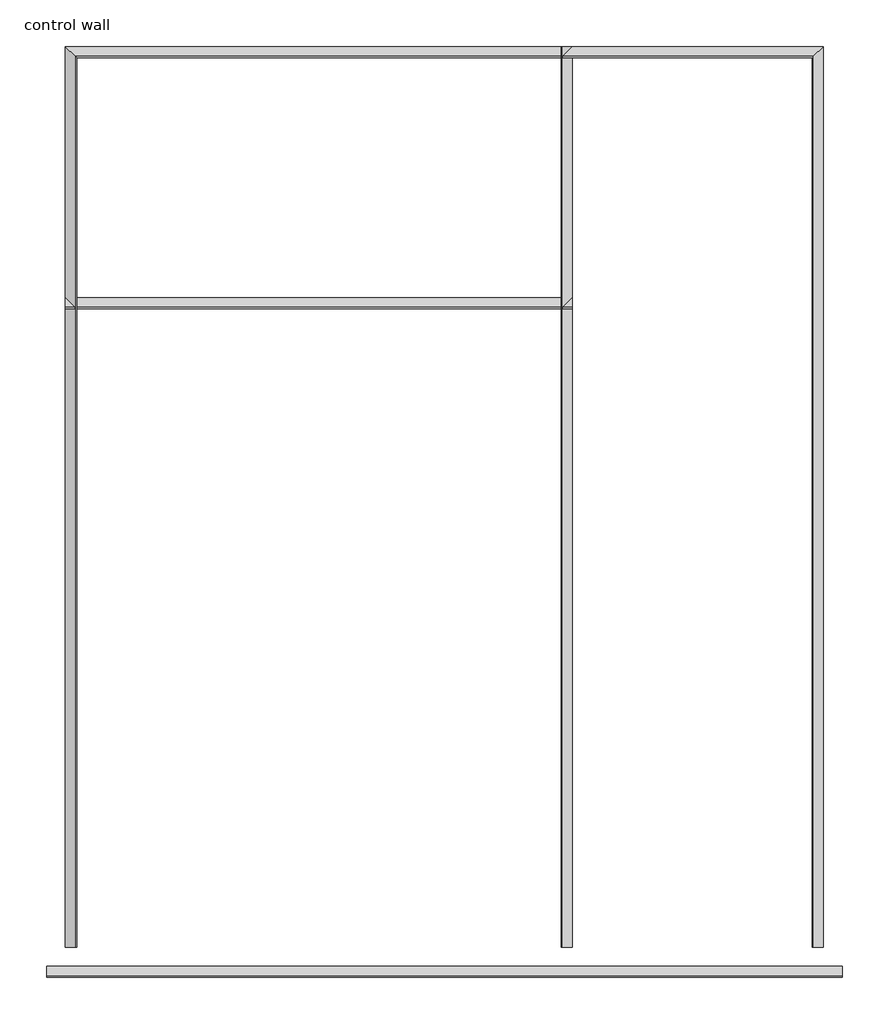
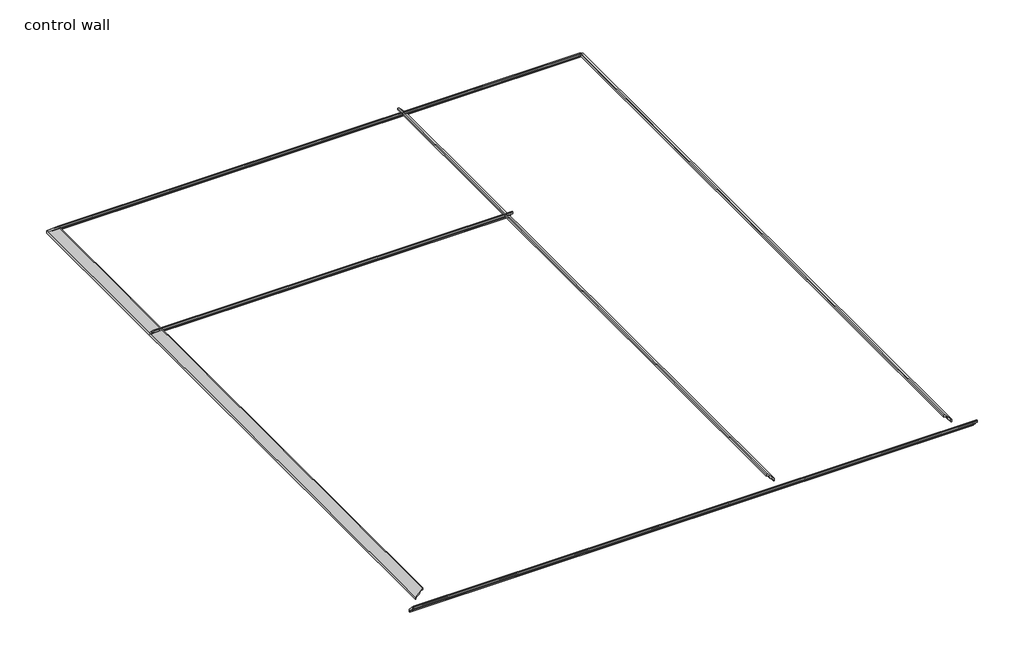
# One storey: 6 proxies.
"""IFC4 building model written with IfcOpenShell, lengths in millimetres."""

from ifc_helpers import new_model, si_unit, point, frame, frame_2d, origin, place, context, project, spatial, polyline, circle_curve, ellipse_curve, trimmed, segment, composite_curve, outline, extrude, element, save
from ifc_brep_helpers import plane_surface, cylinder_surface, revolved_surface, advanced_brep

model = new_model("IFC4")

# Units and contexts
model_context = context("Model", 3, world=origin())
ifc_project = project(units=[si_unit("LENGTHUNIT", "METRE", prefix="MILLI")], contexts=[model_context])

# Site, building, storey
site = spatial("IfcSite", under=ifc_project)
building = spatial("IfcBuilding", under=site)
storey = spatial("IfcBuildingStorey", under=building, Name="control wall", Elevation=2133.6)

# Proxies
placement = place(None, origin())
element("IfcBuildingElementProxy", 1, Name="Wall Sweeps", at=placement, inside=storey, context=model_context, shape_type="AdvancedBrep", body=[
    advanced_brep(
    [(24097.9557733, -17511.0748005, 2982.9793892), (24032.9351625, -17511.0748005, 3048.0), (24024.8324645, -17511.0748005, 3048.0), (24024.8324645, -17511.0748005, 3028.95), (24034.4557733, -17511.0748005, 3028.95), (24054.9804532, -17511.0748005, 3008.4253202), (24075.505133, -17511.0748005, 2987.9006403), (24075.505133, -17511.0748005, 2981.5506403), (24088.9755172, -17511.0748005, 2968.0802561), (24088.9755172, -17511.0748005, 2959.1), (24097.9557733, -17511.0748005, 2959.1), (24097.9557733, -11596.0498005, 2982.9793892), (24097.9557733, -11596.0498005, 2959.1), (24088.9755172, -11605.0300566, 2959.1), (24088.9755172, -11605.0300566, 2968.0802561), (24075.505133, -11618.5004408, 2981.5506403), (24075.505133, -11618.5004408, 2987.9006403), (24054.9804532, -11639.0251207, 3008.4253202), (24034.4557733, -11659.5498005, 3028.95), (24024.8324645, -11669.1731093, 3028.95), (24024.8324645, -11669.1731093, 3048.0), (24032.9351625, -11661.0704113, 3048.0)],
    [
        (0, 1),
        (1, 2),
        (2, 3),
        (3, 4),
        (4, 5, circle_curve(frame((24034.4557733, -17511.0748005, 3008.4253202), z_axis=(0.0, 1.0, 0.0), x_axis=(-1.0, 0.0, 0.0)), 20.5246798)),
        (5, 6, circle_curve(frame((24075.505133, -17511.0748005, 3008.4253202), z_axis=(0.0, -1.0, 0.0), x_axis=(-1.0, 0.0, 0.0)), 20.5246798)),
        (6, 7),
        (7, 8, circle_curve(frame((24075.505133, -17511.0748005, 2968.0802561), z_axis=(0.0, 1.0, 0.0), x_axis=(-1.0, 0.0, 0.0)), 13.4703842)),
        (8, 9),
        (9, 10),
        (10, 0),
        (11, 12),
        (12, 13),
        (13, 14),
        (14, 15, ellipse_curve(frame((24075.505133, -11618.5004408, 2968.0802561), z_axis=(0.707106781186544, -0.7071067811865511, 0.0), x_axis=(0.7071067811865511, 0.7071067811865439, 0.0)), 19.05, 13.4703842)),
        (15, 16),
        (16, 17, ellipse_curve(frame((24075.505133, -11618.5004408, 3008.4253202), z_axis=(-0.707106781186544, 0.7071067811865511, 0.0), x_axis=(-0.7071067811865511, -0.7071067811865439, 0.0)), 29.0262806, 20.5246798)),
        (17, 18, ellipse_curve(frame((24034.4557733, -11659.5498005, 3008.4253202), z_axis=(0.707106781186544, -0.7071067811865511, 0.0), x_axis=(0.7071067811865511, 0.7071067811865439, 0.0)), 29.0262806, 20.5246798)),
        (18, 19),
        (19, 20),
        (20, 21),
        (21, 11),
        (0, 11),
        (21, 1),
        (20, 2),
        (19, 3),
        (18, 4),
        (17, 5),
        (16, 6),
        (15, 7),
        (14, 8),
        (13, 9),
        (12, 10),
    ],
    [
        plane_surface(frame((23982.8461374, -17511.0748005, 2959.1), z_axis=(0.0, -1.0, 0.0), x_axis=(0.0, 0.0, 1.0))),
        plane_surface(frame((24097.9557733, -11596.0498005, 2654.3), z_axis=(-0.707106781186544, 0.7071067811865511, 0.0), x_axis=(-0.7071067811865511, -0.707106781186544, 0.0))),
        plane_surface(frame((24097.9557733, -17511.0748005, 2982.9793892), z_axis=(0.707106781186547, 0.0, 0.707106781186548), x_axis=(0.0, 1.0, 0.0))),
        plane_surface(frame((24032.9351625, -17511.0748005, 3048.0), z_axis=(0.0, 0.0, 1.0), x_axis=(0.0, 1.0, 0.0))),
        plane_surface(frame((24024.8324645, -17511.0748005, 3048.0), z_axis=(-1.0, 0.0, 0.0), x_axis=(0.0, 1.0, 0.0))),
        plane_surface(frame((24024.8324645, -17511.0748005, 3028.95), z_axis=(0.0, 0.0, -1.0), x_axis=(0.0, 1.0, 0.0))),
        revolved_surface(polyline([(24013.9310935, -11639.025120655118, 3008.4253202), (24013.9310935, -17511.0748005, 3008.4253202)]), (24034.4557733, -17511.0748005, 3008.4253202), (0.0, 1.0, 0.0)),
        cylinder_surface(frame((24075.505133, -17511.0748005, 3008.4253202), z_axis=(0.0, -1.0, 0.0), x_axis=(-1.0, 0.0, 0.0)), 20.5246798),
        plane_surface(frame((24075.505133, -17511.0748005, 2987.9006403), z_axis=(-1.0, 0.0, 0.0), x_axis=(0.0, 1.0, 0.0))),
        revolved_surface(polyline([(24062.034748799997, -11605.0300566, 2968.0802561), (24062.034748799997, -17511.0748005, 2968.0802561)]), (24075.505133, -17511.0748005, 2968.0802561), (0.0, 1.0, 0.0)),
        plane_surface(frame((24088.9755172, -17511.0748005, 2968.0802561), z_axis=(-1.0, 0.0, 0.0), x_axis=(0.0, 1.0, 0.0))),
        plane_surface(frame((24088.9755172, -17511.0748005, 2959.1), z_axis=(0.0, 0.0, -1.0), x_axis=(0.0, 1.0, 0.0))),
        plane_surface(frame((24097.9557733, -17511.0748005, 2959.1), z_axis=(1.0, 0.0, 0.0), x_axis=(0.0, 1.0, 0.0))),
    ],
    [
        (0, [[1, 2, 3, 4, 5, 6, 7, 8, 9, 10, 11]]),
        (1, [[12, 13, 14, 15, 16, 17, 18, 19, 20, 21, 22]]),
        (2, [[-1, 23, -22, 24]]),
        (3, [[-2, -24, -21, 25]]),
        (4, [[-3, -25, -20, 26]]),
        (5, [[-4, -26, -19, 27]]),
        (6, [[-5, -27, -18, 28]]),
        (7, [[-6, -28, -17, 29]]),
        (8, [[-7, -29, -16, 30]]),
        (9, [[-8, -30, -15, 31]]),
        (10, [[-9, -31, -14, 32]]),
        (11, [[-10, -32, -13, 33]]),
        (12, [[-11, -33, -12, -23]]),
    ],
),
])
element("IfcBuildingElementProxy", 2, Name="Wall Sweeps", at=placement, inside=storey, context=model_context, shape_type="AdvancedBrep", body=[
    advanced_brep(
    [(24097.9557733, -11596.0498005, 2982.9793892), (24032.9351625, -11661.0704113, 3048.0), (24024.8324645, -11669.1731093, 3048.0), (24024.8324645, -11669.1731093, 3028.95), (24034.4557733, -11659.5498005, 3028.95), (24054.9804532, -11639.0251207, 3008.4253202), (24075.505133, -11618.5004408, 2987.9006403), (24075.505133, -11618.5004408, 2981.5506403), (24088.9755172, -11605.0300566, 2968.0802561), (24088.9755172, -11605.0300566, 2959.1), (24097.9557733, -11596.0498005, 2959.1), (19122.3680587, -11596.0498005, 2982.9793892), (19122.3680587, -11596.0498005, 2959.1), (19131.3483148, -11605.0300566, 2959.1), (19131.3483148, -11605.0300566, 2968.0802561), (19144.818699, -11618.5004408, 2981.5506403), (19144.818699, -11618.5004408, 2987.9006403), (19165.3433788, -11639.0251207, 3008.4253202), (19185.8680587, -11659.5498005, 3028.95), (19195.4913675, -11669.1731093, 3028.95), (19195.4913675, -11669.1731093, 3048.0), (19187.3886695, -11661.0704113, 3048.0)],
    [
        (0, 1),
        (1, 2),
        (2, 3),
        (3, 4),
        (4, 5, ellipse_curve(frame((24034.4557733, -11659.5498005, 3008.4253202), z_axis=(-0.707106781186544, 0.7071067811865511, 0.0), x_axis=(-0.7071067811865509, -0.707106781186544, 0.0)), 29.0262806, 20.5246798)),
        (5, 6, ellipse_curve(frame((24075.505133, -11618.5004408, 3008.4253202), z_axis=(0.707106781186544, -0.7071067811865511, 0.0), x_axis=(0.7071067811865509, 0.707106781186544, 0.0)), 29.0262806, 20.5246798)),
        (6, 7),
        (7, 8, ellipse_curve(frame((24075.505133, -11618.5004408, 2968.0802561), z_axis=(-0.707106781186544, 0.7071067811865511, 0.0), x_axis=(-0.7071067811865509, -0.707106781186544, 0.0)), 19.05, 13.4703842)),
        (8, 9),
        (9, 10),
        (10, 0),
        (11, 12),
        (12, 13),
        (13, 14),
        (14, 15, ellipse_curve(frame((19144.818699, -11618.5004408, 2968.0802561), z_axis=(0.7071067811865476, 0.7071067811865476, 0.0), x_axis=(-0.7071067811865475, 0.7071067811865476, 0.0)), 19.05, 13.4703842)),
        (15, 16),
        (16, 17, ellipse_curve(frame((19144.818699, -11618.5004408, 3008.4253202), z_axis=(-0.7071067811865476, -0.7071067811865476, 0.0), x_axis=(0.7071067811865475, -0.7071067811865476, 0.0)), 29.0262806, 20.5246798)),
        (17, 18, ellipse_curve(frame((19185.8680587, -11659.5498005, 3008.4253202), z_axis=(0.7071067811865476, 0.7071067811865476, 0.0), x_axis=(-0.7071067811865475, 0.7071067811865476, 0.0)), 29.0262806, 20.5246798)),
        (18, 19),
        (19, 20),
        (20, 21),
        (21, 11),
        (0, 11),
        (21, 1),
        (20, 2),
        (19, 3),
        (18, 4),
        (17, 5),
        (16, 6),
        (15, 7),
        (14, 8),
        (13, 9),
        (12, 10),
    ],
    [
        plane_surface(frame((24097.9557733, -11596.0498005, 2654.3), z_axis=(0.707106781186544, -0.7071067811865511, 0.0), x_axis=(-0.7071067811865511, -0.707106781186544, 0.0))),
        plane_surface(frame((19122.3680587, -11596.0498005, 2654.3), z_axis=(-0.7071067811865476, -0.7071067811865476, 0.0), x_axis=(0.7071067811865476, -0.7071067811865476, 0.0))),
        plane_surface(frame((24097.9557733, -11596.0498005, 2982.9793892), z_axis=(0.0, 0.707106781186547, 0.707106781186548), x_axis=(-1.0, 0.0, 0.0))),
        plane_surface(frame((24032.9351625, -11661.0704113, 3048.0), z_axis=(0.0, 0.0, 1.0), x_axis=(-1.0, 0.0, 0.0))),
        plane_surface(frame((24024.8324645, -11669.1731093, 3048.0), z_axis=(0.0, -1.0, 0.0), x_axis=(-1.0, 0.0, 0.0))),
        plane_surface(frame((24024.8324645, -11669.1731093, 3028.95), z_axis=(0.0, 0.0, -1.0), x_axis=(-1.0, 0.0, 0.0))),
        revolved_surface(polyline([(19165.3433788, -11680.074480300002, 3008.4253202), (24054.9804532, -11680.074480300002, 3008.4253202)]), (24097.9557733, -11659.5498005, 3008.4253202), (-1.0, 0.0, 0.0)),
        cylinder_surface(frame((24097.9557733, -11618.5004408, 3008.4253202), z_axis=(1.0, 0.0, 0.0), x_axis=(0.0, -1.0, 0.0)), 20.5246798),
        plane_surface(frame((24075.505133, -11618.5004408, 2987.9006403), z_axis=(0.0, -1.0, 0.0), x_axis=(-1.0, 0.0, 0.0))),
        revolved_surface(polyline([(19131.3483148, -11631.970825, 2968.0802561), (24088.9755172, -11631.970825, 2968.0802561)]), (24097.9557733, -11618.5004408, 2968.0802561), (-1.0, 0.0, 0.0)),
        plane_surface(frame((24088.9755172, -11605.0300566, 2968.0802561), z_axis=(0.0, -1.0, 0.0), x_axis=(-1.0, 0.0, 0.0))),
        plane_surface(frame((24088.9755172, -11605.0300566, 2959.1), z_axis=(0.0, 0.0, -1.0), x_axis=(-1.0, 0.0, 0.0))),
        plane_surface(frame((24097.9557733, -11596.0498005, 2959.1), z_axis=(0.0, 1.0, 0.0), x_axis=(-1.0, 0.0, 0.0))),
    ],
    [
        (0, [[1, 2, 3, 4, 5, 6, 7, 8, 9, 10, 11]]),
        (1, [[12, 13, 14, 15, 16, 17, 18, 19, 20, 21, 22]]),
        (2, [[-1, 23, -22, 24]]),
        (3, [[-2, -24, -21, 25]]),
        (4, [[-3, -25, -20, 26]]),
        (5, [[-4, -26, -19, 27]]),
        (6, [[-5, -27, -18, 28]]),
        (7, [[-6, -28, -17, 29]]),
        (8, [[-7, -29, -16, 30]]),
        (9, [[-8, -30, -15, 31]]),
        (10, [[-9, -31, -14, 32]]),
        (11, [[-10, -32, -13, 33]]),
        (12, [[-11, -33, -12, -23]]),
    ],
),
])
element("IfcBuildingElementProxy", 3, Name="Wall Sweeps", at=placement, inside=storey, context=model_context, shape_type="SweptSolid", body=[
    extrude(outline(composite_curve([segment(polyline([(2982.9793892, 22450.1307733), (3048.0, 22385.1101625), (3048.0, 22377.0074645), (3028.95, 22377.0074645), (3028.95, 22386.6307733)]), True, "CONTINUOUS"), segment(trimmed(circle_curve(frame_2d((3008.4253202, 22386.6307733)), 20.5246798), [point((3028.95, 22386.6307733))], [point((3008.4253202, 22407.1554532))], True, "CARTESIAN"), True, "CONTINUOUS"), segment(trimmed(circle_curve(frame_2d((3008.4253202, 22427.680133)), 20.5246798), [point((3008.4253202, 22407.1554532))], [point((2987.9006403, 22427.680133))], False, "CARTESIAN"), True, "CONTINUOUS"), segment(polyline([(2987.9006403, 22427.680133), (2981.5506403, 22427.680133)]), True, "CONTINUOUS"), segment(trimmed(circle_curve(frame_2d((2968.0802561, 22427.680133)), 13.4703842), [point((2981.5506403, 22427.680133))], [point((2968.0802561, 22441.1505172))], True, "CARTESIAN"), True, "CONTINUOUS"), segment(polyline([(2968.0802561, 22441.1505172), (2959.1, 22441.1505172), (2959.1, 22450.1307733), (2982.9793892, 22450.1307733)]), True, "CONTINUOUS")], self_intersect=False)), frame((0.0, -17511.0748005, 0.0), z_axis=(0.0, 1.0, 0.0), x_axis=(0.0, 0.0, 1.0)), (0.0, 0.0, 1.0), 5915.025),
])
element("IfcBuildingElementProxy", 4, Name="Wall Sweeps", at=placement, inside=storey, context=model_context, shape_type="AdvancedBrep", body=[
    advanced_brep(
    [(19122.3680587, -11596.0498005, 2982.9793892), (19187.3886695, -11661.0704113, 3048.0), (19195.4913675, -11669.1731093, 3048.0), (19195.4913675, -11669.1731093, 3028.95), (19185.8680587, -11659.5498005, 3028.95), (19165.3433788, -11639.0251207, 3008.4253202), (19144.818699, -11618.5004408, 2987.9006403), (19144.818699, -11618.5004408, 2981.5506403), (19131.3483148, -11605.0300566, 2968.0802561), (19131.3483148, -11605.0300566, 2959.1), (19122.3680587, -11596.0498005, 2959.1), (19122.3680587, -17511.0748005, 2982.9793892), (19122.3680587, -17511.0748005, 2959.1), (19131.3483148, -17511.0748005, 2959.1), (19131.3483148, -17511.0748005, 2968.0802561), (19144.818699, -17511.0748005, 2981.5506403), (19144.818699, -17511.0748005, 2987.9006403), (19165.3433788, -17511.0748005, 3008.4253202), (19185.8680587, -17511.0748005, 3028.95), (19195.4913675, -17511.0748005, 3028.95), (19195.4913675, -17511.0748005, 3048.0), (19187.3886695, -17511.0748005, 3048.0)],
    [
        (0, 1),
        (1, 2),
        (2, 3),
        (3, 4),
        (4, 5, ellipse_curve(frame((19185.8680587, -11659.5498005, 3008.4253202), z_axis=(-0.7071067811865476, -0.7071067811865476, 0.0), x_axis=(0.7071067811865476, -0.7071067811865474, 0.0)), 29.0262806, 20.5246798)),
        (5, 6, ellipse_curve(frame((19144.818699, -11618.5004408, 3008.4253202), z_axis=(0.7071067811865476, 0.7071067811865476, 0.0), x_axis=(-0.7071067811865476, 0.7071067811865474, 0.0)), 29.0262806, 20.5246798)),
        (6, 7),
        (7, 8, ellipse_curve(frame((19144.818699, -11618.5004408, 2968.0802561), z_axis=(-0.7071067811865476, -0.7071067811865476, 0.0), x_axis=(0.7071067811865476, -0.7071067811865474, 0.0)), 19.05, 13.4703842)),
        (8, 9),
        (9, 10),
        (10, 0),
        (11, 12),
        (12, 13),
        (13, 14),
        (14, 15, circle_curve(frame((19144.818699, -17511.0748005, 2968.0802561), z_axis=(0.0, 1.0, 0.0), x_axis=(1.0, 0.0, 0.0)), 13.4703842)),
        (15, 16),
        (16, 17, circle_curve(frame((19144.818699, -17511.0748005, 3008.4253202), z_axis=(0.0, -1.0, 0.0), x_axis=(1.0, 0.0, 0.0)), 20.5246798)),
        (17, 18, circle_curve(frame((19185.8680587, -17511.0748005, 3008.4253202), z_axis=(0.0, 1.0, 0.0), x_axis=(1.0, 0.0, 0.0)), 20.5246798)),
        (18, 19),
        (19, 20),
        (20, 21),
        (21, 11),
        (0, 11),
        (21, 1),
        (20, 2),
        (19, 3),
        (18, 4),
        (17, 5),
        (16, 6),
        (15, 7),
        (14, 8),
        (13, 9),
        (12, 10),
    ],
    [
        plane_surface(frame((19122.3680587, -11596.0498005, 2654.3), z_axis=(0.7071067811865476, 0.7071067811865476, 0.0), x_axis=(0.7071067811865476, -0.7071067811865476, 0.0))),
        plane_surface(frame((19007.2584227, -17511.0748005, 2959.1), z_axis=(0.0, -1.0, 0.0), x_axis=(0.0, 0.0, -1.0))),
        plane_surface(frame((19122.3680587, -11596.0498005, 2982.9793892), z_axis=(-0.707106781186547, 0.0, 0.707106781186548), x_axis=(0.0, -1.0, 0.0))),
        plane_surface(frame((19187.3886695, -11661.0704113, 3048.0), z_axis=(0.0, 0.0, 1.0), x_axis=(0.0, -1.0, 0.0))),
        plane_surface(frame((19195.4913675, -11669.1731093, 3048.0), z_axis=(1.0, 0.0, 0.0), x_axis=(0.0, -1.0, 0.0))),
        plane_surface(frame((19195.4913675, -11669.1731093, 3028.95), z_axis=(0.0, 0.0, -1.0), x_axis=(0.0, -1.0, 0.0))),
        revolved_surface(polyline([(19206.392738500002, -17511.0748005, 3008.4253202), (19206.392738500002, -11639.025120655117, 3008.4253202)]), (19185.8680587, -11596.0498005, 3008.4253202), (0.0, -1.0, 0.0)),
        cylinder_surface(frame((19144.818699, -11596.0498005, 3008.4253202), z_axis=(0.0, 1.0, 0.0), x_axis=(1.0, 0.0, 0.0)), 20.5246798),
        plane_surface(frame((19144.818699, -11618.5004408, 2987.9006403), z_axis=(1.0, 0.0, 0.0), x_axis=(0.0, -1.0, 0.0))),
        revolved_surface(polyline([(19158.2890832, -17511.0748005, 2968.0802561), (19158.2890832, -11605.0300566, 2968.0802561)]), (19144.818699, -11596.0498005, 2968.0802561), (0.0, -1.0, 0.0)),
        plane_surface(frame((19131.3483148, -11605.0300566, 2968.0802561), z_axis=(1.0, 0.0, 0.0), x_axis=(0.0, -1.0, 0.0))),
        plane_surface(frame((19131.3483148, -11605.0300566, 2959.1), z_axis=(0.0, 0.0, -1.0), x_axis=(0.0, -1.0, 0.0))),
        plane_surface(frame((19122.3680587, -11596.0498005, 2959.1), z_axis=(-1.0, 0.0, 0.0), x_axis=(0.0, -1.0, 0.0))),
    ],
    [
        (0, [[1, 2, 3, 4, 5, 6, 7, 8, 9, 10, 11]]),
        (1, [[12, 13, 14, 15, 16, 17, 18, 19, 20, 21, 22]]),
        (2, [[-1, 23, -22, 24]]),
        (3, [[-2, -24, -21, 25]]),
        (4, [[-3, -25, -20, 26]]),
        (5, [[-4, -26, -19, 27]]),
        (6, [[-5, -27, -18, 28]]),
        (7, [[-6, -28, -17, 29]]),
        (8, [[-7, -29, -16, 30]]),
        (9, [[-8, -30, -15, 31]]),
        (10, [[-9, -31, -14, 32]]),
        (11, [[-10, -32, -13, 33]]),
        (12, [[-11, -33, -12, -23]]),
    ],
),
])
element("IfcBuildingElementProxy", 5, Name="Wall Sweeps", at=placement, inside=storey, context=model_context, shape_type="SweptSolid", body=[
    extrude(outline(composite_curve([segment(polyline([(-13243.8748005, 2982.9793892), (-13243.8748005, 2959.1), (-13252.8550566, 2959.1), (-13252.8550566, 2968.0802561)]), True, "CONTINUOUS"), segment(trimmed(circle_curve(frame_2d((-13266.3254408, 2968.0802561)), 13.4703842), [point((-13252.8550566, 2968.0802561))], [point((-13266.3254408, 2981.5506403))], True, "CARTESIAN"), True, "CONTINUOUS"), segment(polyline([(-13266.3254408, 2981.5506403), (-13266.3254408, 2987.9006403)]), True, "CONTINUOUS"), segment(trimmed(circle_curve(frame_2d((-13266.3254408, 3008.4253202)), 20.5246798), [point((-13266.3254408, 2987.9006403))], [point((-13286.8501207, 3008.4253202))], False, "CARTESIAN"), True, "CONTINUOUS"), segment(trimmed(circle_curve(frame_2d((-13307.3748005, 3008.4253202)), 20.5246798), [point((-13286.8501207, 3008.4253202))], [point((-13307.3748005, 3028.95))], True, "CARTESIAN"), True, "CONTINUOUS"), segment(polyline([(-13307.3748005, 3028.95), (-13316.9981093, 3028.95), (-13316.9981093, 3048.0), (-13308.8954113, 3048.0), (-13243.8748005, 2982.9793892)]), True, "CONTINUOUS")], self_intersect=False)), frame((19122.3680587, 0.0, 0.0), z_axis=(1.0, 0.0, 0.0), x_axis=(0.0, 1.0, 0.0)), (0.0, 0.0, 1.0), 3327.7627146),
])
element("IfcBuildingElementProxy", 6, Name="Wall Sweeps", at=placement, inside=storey, context=model_context, shape_type="SweptSolid", body=[
    extrude(outline(composite_curve([segment(polyline([(-17634.8998005, 2982.9793892), (-17634.8998005, 2959.1), (-17643.8800566, 2959.1), (-17643.8800566, 2968.0802561)]), True, "CONTINUOUS"), segment(trimmed(circle_curve(frame_2d((-17657.3504408, 2968.0802561)), 13.4703842), [point((-17643.8800566, 2968.0802561))], [point((-17657.3504408, 2981.5506403))], True, "CARTESIAN"), True, "CONTINUOUS"), segment(polyline([(-17657.3504408, 2981.5506403), (-17657.3504408, 2987.9006403)]), True, "CONTINUOUS"), segment(trimmed(circle_curve(frame_2d((-17657.3504408, 3008.4253202)), 20.5246798), [point((-17657.3504408, 2987.9006403))], [point((-17677.8751207, 3008.4253202))], False, "CARTESIAN"), True, "CONTINUOUS"), segment(trimmed(circle_curve(frame_2d((-17698.3998005, 3008.4253202)), 20.5246798), [point((-17677.8751207, 3008.4253202))], [point((-17698.3998005, 3028.95))], True, "CARTESIAN"), True, "CONTINUOUS"), segment(polyline([(-17698.3998005, 3028.95), (-17708.0231093, 3028.95), (-17708.0231093, 3048.0), (-17699.9204113, 3048.0), (-17634.8998005, 2982.9793892)]), True, "CONTINUOUS")], self_intersect=False)), frame((18998.5430587, 0.0, 0.0), z_axis=(1.0, 0.0, 0.0), x_axis=(0.0, 1.0, 0.0)), (0.0, 0.0, 1.0), 5223.2377146),
])

save(model, "model.ifc")
